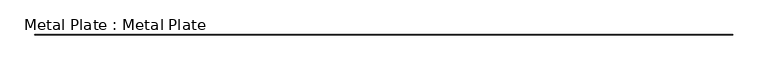
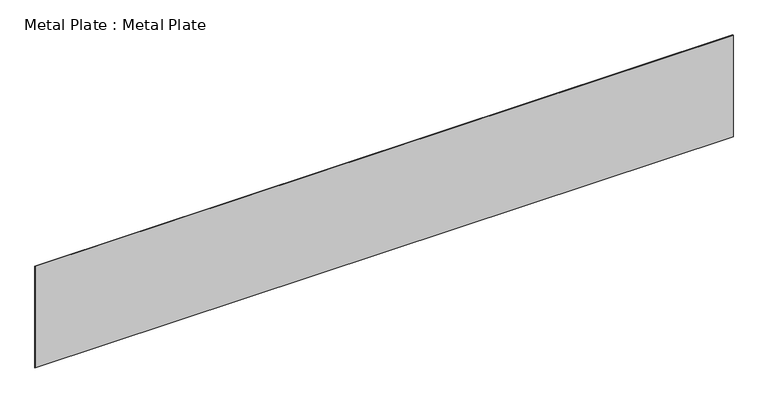
"""IFC4 building model written with IfcOpenShell, lengths in millimetres: proxy geometry, Metal Plate : Metal Plate."""

from ifc_helpers import new_model, si_unit, origin, origin_with_axes, place, context, project, spatial, polyline, outline, extrude, source, transform, mapped, element, save


def metal_plate_metal_plate_ee1fee08(model_context):
    return source(origin(), model_context, "Body", "SweptSolid", [
        extrude(outline(polyline([(-4000.0, -6.0), (-4000.0, 0.0), (4000.0, 0.0), (4000.0, -6.0), (-4000.0, -6.0)])), origin_with_axes(), (0.0, 0.0, 1.0), 1230.0),
    ])


if __name__ == "__main__":
    model = new_model("IFC4")
    model_context = context("Model", 3, world=origin())
    ifc_project = project(units=[si_unit("LENGTHUNIT", "METRE", prefix="MILLI")], contexts=[model_context])
    site = spatial("IfcSite", under=ifc_project)
    building = spatial("IfcBuilding", under=site)
    placement = place(None, origin())
    metal_plate_metal_plate_shape = metal_plate_metal_plate_ee1fee08(model_context)
    element("IfcBuildingElementProxy", 1, Name="Metal Plate : Metal Plate", ObjectType="Metal Plate : Metal Plate", at=placement, inside=building, context=model_context, shape_type="MappedRepresentation", body=[
        mapped(metal_plate_metal_plate_shape, transform((0.0, 0.0, 0.0), x_axis=(1.0, 0.0, 0.0), y_axis=(0.0, 1.0, 0.0), z_axis=(0.0, 0.0, 1.0))),
    ])
    save(model, "model.ifc")
